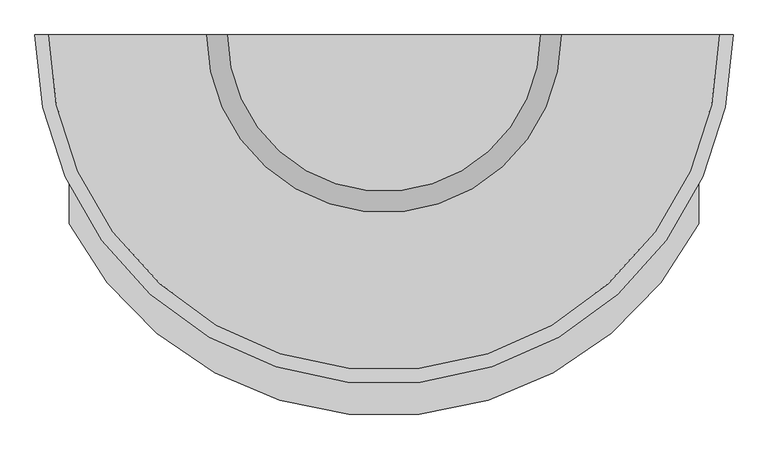
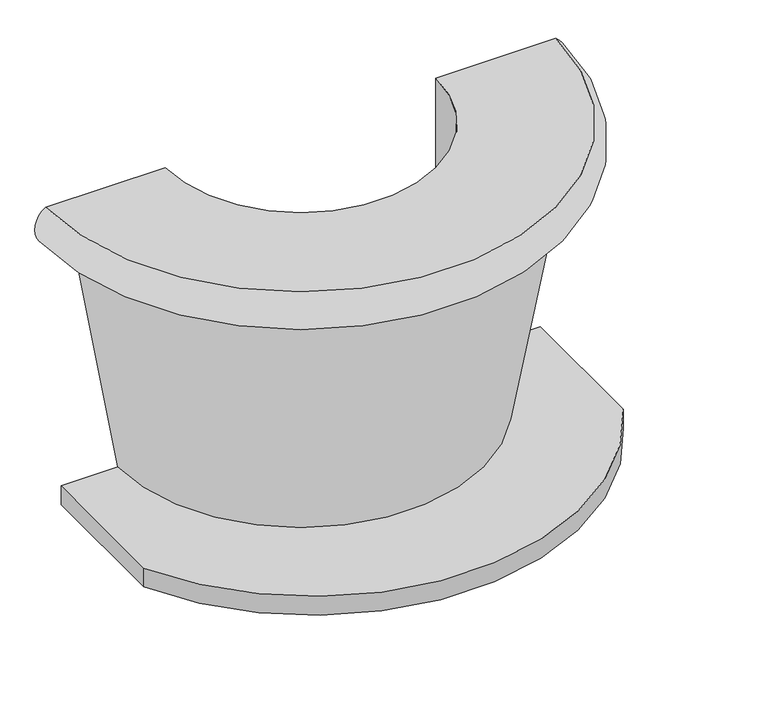
"""IFC4 building model written with IfcOpenShell, lengths in millimetres: furniture geometry."""

from ifc_helpers import new_model, si_unit, point, frame, frame_2d, origin, origin_with_axes, place, context, project, spatial, polyline, circle_curve, ellipse_curve, trimmed, segment, composite_curve, outline, extrude, source, transform, mapped, element, save
from ifc_brep_helpers import plane_surface, revolved_surface, advanced_brep


def furniture_8ecdc32f(model_context):
    return source(origin(), model_context, "Body", "SolidModel", [
        advanced_brep(
        [(-6563.0802233, 916.717873, 1398.6873074), (-6565.0867375, 916.717873, 1600.0), (-5965.0867375, 916.717873, 1600.0), (-5965.0867375, 916.717873, 800.0), (-6085.0867375, 916.717873, 800.0), (-5884.3649675, 916.717873, 100.0), (-6204.3649675, 916.717873, 100.0), (-6433.3848675, 916.717873, 1398.6873074), (-4012.4923883, 916.717873, 1398.6873074), (-4142.1877441, 916.717873, 1398.6873074), (-4371.2076441, 916.717873, 100.0), (-4691.2076441, 916.717873, 100.0), (-4490.4858741, 916.717873, 800.0), (-4610.4858741, 916.717873, 800.0), (-4610.4858741, 916.717873, 1600.0), (-4010.4858741, 916.717873, 1600.0)],
        [
            (0, 1, circle_curve(frame((-6498.2325454, 916.717873, 1500.0), z_axis=(0.0, 1.0000000000000002, 0.0), x_axis=(1.0000000000000002, 0.0, 0.0)), 120.2891641)),
            (1, 2),
            (2, 3),
            (3, 4),
            (4, 5),
            (5, 6),
            (6, 7),
            (7, 0),
            (8, 9),
            (9, 10),
            (10, 11),
            (11, 12),
            (12, 13),
            (13, 14),
            (14, 15),
            (15, 8, circle_curve(frame((-4077.3400662, 916.717873, 1500.0), z_axis=(0.0, 1.0000000000000002, 0.0), x_axis=(-1.0000000000000002, 0.0, 0.0)), 120.2891641)),
            (8, 0, circle_curve(frame((-5287.7863058, 916.717873, 1398.6873074), z_axis=(0.0, 0.0, -1.0), x_axis=(-1.0000000000000002, 0.0, 0.0)), 1275.2939175)),
            (7, 9, circle_curve(frame((-5287.7863058, 916.717873, 1398.6873074), z_axis=(0.0, 0.0, 1.0), x_axis=(-1.0000000000000002, 0.0, 0.0)), 1145.5985617)),
            (6, 10, circle_curve(frame((-5287.7863058, 916.717873, 100.0), z_axis=(0.0, 0.0, 1.0), x_axis=(-1.0000000000000002, 0.0, 0.0)), 916.5786617)),
            (5, 11, circle_curve(frame((-5287.7863058, 916.717873, 100.0), z_axis=(0.0, 0.0, 1.0), x_axis=(-1.0000000000000002, 0.0, 0.0)), 596.5786617)),
            (4, 12, circle_curve(frame((-5287.7863058, 916.717873, 800.0), z_axis=(0.0, 0.0, 1.0), x_axis=(-1.0000000000000002, 0.0, 0.0)), 797.3004317)),
            (3, 13, circle_curve(frame((-5287.7863058, 916.717873, 800.0), z_axis=(0.0, 0.0, 1.0), x_axis=(-1.0000000000000002, 0.0, 0.0)), 677.3004317)),
            (2, 14, circle_curve(frame((-5287.7863058, 916.717873, 1600.0), z_axis=(0.0, 0.0, 1.0), x_axis=(-1.0000000000000002, 0.0, 0.0)), 677.3004317)),
            (1, 15, circle_curve(frame((-5287.7863058, 916.717873, 1600.0), z_axis=(0.0, 0.0, 1.0), x_axis=(-1.0000000000000002, 0.0, 0.0)), 1277.3004317)),
        ],
        [
            plane_surface(frame((-5287.7863058, 916.717873, 6838.4), z_axis=(0.0, 1.0, 0.0), x_axis=(-1.0, 0.0, 0.0))),
            plane_surface(frame((-5287.7863058, 916.717873, 6838.4), z_axis=(0.0, 1.0, 0.0), x_axis=(1.0, 0.0, 0.0))),
            plane_surface(frame((-5287.7863058, 916.717873, 1398.6873074), z_axis=(0.0, 0.0, -1.0), x_axis=(-1.0, 0.0, 0.0))),
            revolved_surface(polyline([(-6433.3848675, 916.717873, 1398.6873074), (-6204.3649675, 916.717873, 100.0)]), (-5287.7863058, 916.717873, 6838.4), (0.0, 0.0, -1.0)),
            plane_surface(frame((-5287.7863058, 916.717873, 100.0), z_axis=(0.0, 0.0, -1.0), x_axis=(-1.0, 0.0, 0.0))),
            revolved_surface(polyline([(-5884.3649675, 916.717873, 100.0), (-6085.0867375, 916.717873, 800.0)]), (-5287.7863058, 916.717873, 6838.4), (0.0, 0.0, -1.0)),
            plane_surface(frame((-5287.7863058, 916.717873, 800.0), z_axis=(0.0, 0.0, -1.0), x_axis=(-1.0, 0.0, 0.0))),
            revolved_surface(polyline([(-5965.086737500001, 916.717873, 800.0), (-5965.086737500001, 916.717873, 1600.0)]), (-5287.7863058, 916.717873, 6838.4), (0.0, 0.0, -1.0)),
            plane_surface(frame((-5287.7863058, 916.717873, 1600.0), z_axis=(0.0, 0.0, 1.0), x_axis=(-1.0, 0.0, 0.0))),
            revolved_surface(trimmed(ellipse_curve(frame((-6498.2325454, 916.717873, 1500.0), z_axis=(0.0, -1.0000000000000002, 0.0), x_axis=(1.0000000000000002, 0.0, 0.0)), 120.2891641, 120.2891641), [point((-6565.0867375, 916.717873, 1600.0))], [point((-6563.0802233, 916.717873, 1398.6873074))], True, "CARTESIAN"), (-5287.7863058, 916.717873, 6838.4), (0.0, 0.0, -1.0)),
        ],
        [
            (0, [[1, 2, 3, 4, 5, 6, 7, 8]]),
            (1, [[9, 10, 11, 12, 13, 14, 15, 16]]),
            (2, [[17, -8, 18, -9]]),
            (3, [[-18, -7, 19, -10]]),
            (4, [[-19, -6, 20, -11]]),
            (5, [[-20, -5, 21, -12]]),
            (6, [[-21, -4, 22, -13]]),
            (7, [[-22, -3, 23, -14]]),
            (8, [[-23, -2, 24, -15]]),
            (9, [[-24, -1, -17, -16]]),
        ],
    ),
        extrude(outline(composite_curve([segment(polyline([(-6487.7863058, 197.5139863), (-6487.7863058, 916.717873), (-4087.7863058, 916.717873), (-4087.7863058, 197.5139863)]), True, "CONTINUOUS"), segment(trimmed(circle_curve(frame_2d((-5287.7863058, 814.3680526)), 1349.2623685), [point((-4087.7863058, 197.5139863))], [point((-6487.7863058, 197.5139863))], False, "CARTESIAN"), True, "CONTINUOUS")], self_intersect=False)), origin_with_axes(), (0.0, 0.0, 1.0), 100.0),
    ])


if __name__ == "__main__":
    model = new_model("IFC4")
    model_context = context("Model", 3, world=origin())
    ifc_project = project(units=[si_unit("LENGTHUNIT", "METRE", prefix="MILLI")], contexts=[model_context])
    site = spatial("IfcSite", under=ifc_project)
    building = spatial("IfcBuilding", under=site)
    placement = place(None, origin())
    furniture_shape = furniture_8ecdc32f(model_context)
    element("IfcFurniture", 1, at=placement, inside=building, context=model_context, shape_type="MappedRepresentation", body=[
        mapped(furniture_shape, transform((0.0, 0.0, 0.0), x_axis=(1.0, 0.0, 0.0), y_axis=(0.0, 1.0, 0.0), z_axis=(0.0, 0.0, 1.0))),
    ])
    save(model, "model.ifc")
